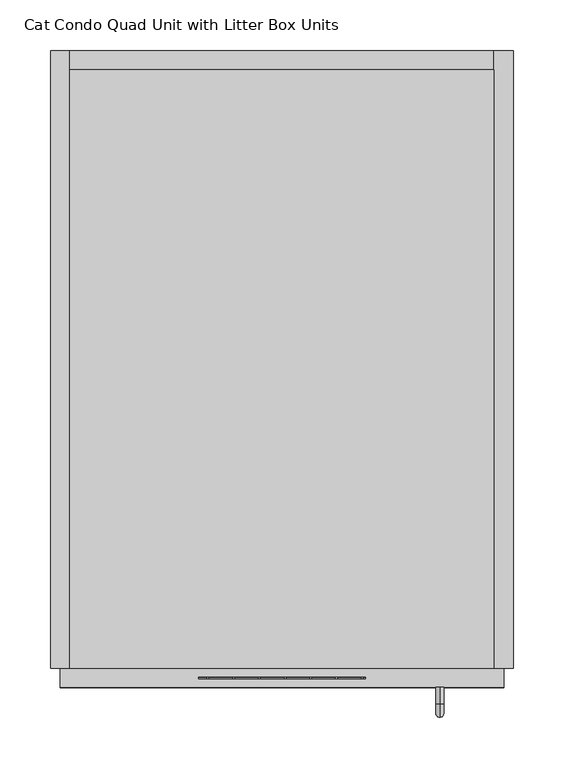
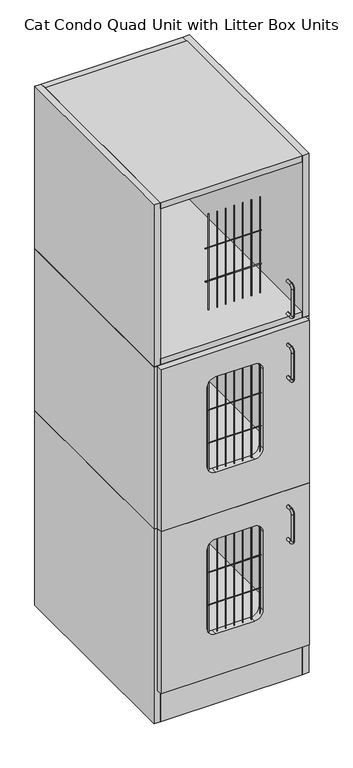
"""IFC4 building model written with IfcOpenShell, lengths in millimetres: proxy geometry, Cat Condo Quad Unit with Litter Box Units."""

from ifc_helpers import new_model, si_unit, point, frame, frame_2d, origin, origin_with_axes, place, context, project, spatial, polyline, circle_curve, ellipse_curve, trimmed, segment, composite_curve, outline, extrude, source, transform, mapped, element, save
from ifc_brep_helpers import plane_surface, cylinder_surface, revolved_surface, advanced_brep


def cat_condo_quad_unit_with_litter_box_units_e464faee(model_context):
    return source(origin(), model_context, "Body", "SolidModel", [
        advanced_brep(
        [(994.1819084, -19.05, 551.6993154), (994.1819084, -19.05, 559.5506846), (994.1819084, -35.2117768, 551.6993154), (994.1819084, -35.2117768, 559.5506846), (994.1819084, -48.3756846, 546.3867768), (994.1819084, -40.5243154, 546.3867768), (994.1819084, -40.5243154, 463.2632232), (994.1819084, -48.3756846, 463.2632232), (994.1819084, -35.2117768, 450.0993154), (994.1819084, -35.2117768, 457.9506846), (994.1819084, -19.05, 457.9506846), (994.1819084, -19.05, 450.0993154)],
        [
            (0, 1, circle_curve(frame((994.1819084, -19.05, 555.625), z_axis=(0.0, 1.0, 0.0), x_axis=(0.0, 0.0, 1.0)), 3.9256846)),
            (1, 0, circle_curve(frame((994.1819084, -19.05, 555.625), z_axis=(0.0, 1.0, 0.0), x_axis=(0.0, 0.0, 1.0)), 3.9256846)),
            (0, 2),
            (2, 3, circle_curve(frame((994.1819084, -35.2117768, 555.625), z_axis=(0.0, 1.0, 0.0), x_axis=(0.0, 0.0, 1.0)), 3.9256846)),
            (3, 1),
            (3, 2, circle_curve(frame((994.1819084, -35.2117768, 555.625), z_axis=(0.0, 1.0, 0.0), x_axis=(0.0, 0.0, 1.0)), 3.9256846)),
            (4, 3, circle_curve(frame((994.1819084, -35.2117768, 546.3867768), z_axis=(-1.0, 0.0, 0.0), x_axis=(0.0, 0.0, 1.0)), 13.1639078)),
            (2, 5, circle_curve(frame((994.1819084, -35.2117768, 546.3867768), z_axis=(1.0, 0.0, 0.0), x_axis=(0.0, 0.0, 1.0)), 5.3125387)),
            (5, 4, circle_curve(frame((994.1819084, -44.45, 546.3867768), z_axis=(0.0, 0.0, 1.0), x_axis=(0.0, -1.0000000000000002, 0.0)), 3.9256846)),
            (4, 5, circle_curve(frame((994.1819084, -44.45, 546.3867768), z_axis=(0.0, 0.0, 1.0), x_axis=(0.0, -1.0000000000000002, 0.0)), 3.9256846)),
            (5, 6),
            (6, 7, circle_curve(frame((994.1819084, -44.45, 463.2632232), z_axis=(0.0, 0.0, 1.0), x_axis=(0.0, -1.0000000000000002, 0.0)), 3.9256846)),
            (7, 4),
            (7, 6, circle_curve(frame((994.1819084, -44.45, 463.2632232), z_axis=(0.0, 0.0, 1.0), x_axis=(0.0, -1.0000000000000002, 0.0)), 3.9256846)),
            (8, 7, circle_curve(frame((994.1819084, -35.2117768, 463.2632232), z_axis=(-1.0, 0.0, 0.0), x_axis=(0.0, -1.0000000000000002, 0.0)), 13.1639078)),
            (6, 9, circle_curve(frame((994.1819084, -35.2117768, 463.2632232), z_axis=(1.0, 0.0, 0.0), x_axis=(0.0, -1.0000000000000002, 0.0)), 5.3125387)),
            (9, 8, circle_curve(frame((994.1819084, -35.2117768, 454.025), z_axis=(0.0, -1.0000000000000002, 0.0), x_axis=(0.0, 0.0, -1.0)), 3.9256846)),
            (8, 9, circle_curve(frame((994.1819084, -35.2117768, 454.025), z_axis=(0.0, -1.0000000000000002, 0.0), x_axis=(0.0, 0.0, -1.0)), 3.9256846)),
            (10, 11, circle_curve(frame((994.1819084, -19.05, 454.025), z_axis=(0.0, 1.0, 0.0), x_axis=(0.0, 0.0, -1.0)), 3.9256846)),
            (11, 10, circle_curve(frame((994.1819084, -19.05, 454.025), z_axis=(0.0, 1.0, 0.0), x_axis=(0.0, 0.0, -1.0)), 3.9256846)),
            (9, 10),
            (11, 8),
        ],
        [
            plane_surface(frame((994.1819084, -19.05, 555.625), z_axis=(0.0, 1.0, 0.0), x_axis=(1.0, 0.0, 0.0))),
            cylinder_surface(frame((994.1819084, -19.05, 555.625), z_axis=(0.0, 1.0000000000000002, 0.0), x_axis=(0.0, 0.0, 1.0)), 3.9256846),
            revolved_surface(trimmed(ellipse_curve(frame((994.1819084, -35.2117768, 555.625), z_axis=(0.0, 1.0000000000000002, 0.0), x_axis=(0.0, 0.0, 1.0)), 3.9256846, 3.9256846), [point((994.1819084, -35.2117768, 551.6993154))], [point((994.1819084, -35.2117768, 559.5506846))], True, "CARTESIAN"), (994.1819084, -35.2117768, 546.3867768), (1.0000000000000002, 0.0, 0.0)),
            revolved_surface(trimmed(ellipse_curve(frame((994.1819084, -35.2117768, 555.625), z_axis=(0.0, 1.0000000000000002, 0.0), x_axis=(0.0, 0.0, 1.0)), 3.9256846, 3.9256846), [point((994.1819084, -35.2117768, 559.5506846))], [point((994.1819084, -35.2117768, 551.6993154))], True, "CARTESIAN"), (994.1819084, -35.2117768, 546.3867768), (1.0000000000000002, 0.0, 0.0)),
            cylinder_surface(frame((994.1819084, -44.45, 546.3867768), z_axis=(0.0, 0.0, 1.0), x_axis=(0.0, -1.0000000000000002, 0.0)), 3.9256846),
            revolved_surface(trimmed(ellipse_curve(frame((994.1819084, -44.45, 463.2632232), z_axis=(0.0, 0.0, 1.0), x_axis=(0.0, -1.0000000000000002, 0.0)), 3.9256846, 3.9256846), [point((994.1819084, -40.5243154, 463.2632232))], [point((994.1819084, -48.3756846, 463.2632232))], True, "CARTESIAN"), (994.1819084, -35.2117768, 463.2632232), (1.0000000000000002, 0.0, 0.0)),
            revolved_surface(trimmed(ellipse_curve(frame((994.1819084, -44.45, 463.2632232), z_axis=(0.0, 0.0, 1.0), x_axis=(0.0, -1.0000000000000002, 0.0)), 3.9256846, 3.9256846), [point((994.1819084, -48.3756846, 463.2632232))], [point((994.1819084, -40.5243154, 463.2632232))], True, "CARTESIAN"), (994.1819084, -35.2117768, 463.2632232), (1.0000000000000002, 0.0, 0.0)),
            plane_surface(frame((994.1819084, -19.05, 454.025), z_axis=(0.0, 1.0, 0.0), x_axis=(1.0, 0.0, 0.0))),
            cylinder_surface(frame((994.1819084, -35.2117768, 454.025), z_axis=(0.0, -1.0000000000000002, 0.0), x_axis=(0.0, 0.0, -1.0)), 3.9256846),
        ],
        [
            (0, [[1, 2]]),
            (1, [[-1, 3, 4, 5]]),
            (1, [[-2, -5, 6, -3]]),
            (2, [[7, -4, 8, 9]]),
            (3, [[-8, -6, -7, 10]]),
            (4, [[-9, 11, 12, 13]]),
            (4, [[-10, -13, 14, -11]]),
            (5, [[15, -12, 16, 17]]),
            (6, [[-16, -14, -15, 18]]),
            (7, [[19, 20]]),
            (8, [[-17, 21, -20, 22]]),
            (8, [[-18, -22, -19, -21]]),
        ],
    ),
        extrude(outline(polyline([(1047.75, 590.55), (1047.75, 0.0), (628.65, 0.0), (628.65, 590.55), (1047.75, 590.55)])), frame((0.0, 0.0, 587.375), z_axis=(0.0, 0.0, 1.0), x_axis=(1.0, 0.0, 0.0)), (0.0, 0.0, 1.0), 19.05),
        extrude(outline(polyline([(1047.75, 0.0), (628.65, 0.0), (628.65, 590.55), (1047.75, 590.55), (1047.75, 0.0)])), frame((0.0, 0.0, 101.6), z_axis=(0.0, 0.0, 1.0), x_axis=(1.0, 0.0, 0.0)), (0.0, 0.0, 1.0), 19.05),
        extrude(outline(polyline([(1047.75, 19.05), (1047.75, 0.0), (628.65, 0.0), (628.65, 19.05), (1047.75, 19.05)])), origin_with_axes(), (0.0, 0.0, 1.0), 101.6),
        extrude(outline(polyline([(1047.75, 609.6), (1066.8, 609.6), (1066.8, 0.0), (1047.75, 0.0), (1047.75, 609.6)])), origin_with_axes(), (0.0, 0.0, 1.0), 606.425),
        extrude(outline(polyline([(1047.75, 609.6), (1047.75, 590.55), (628.65, 590.55), (628.65, 609.6), (1047.75, 609.6)])), origin_with_axes(), (0.0, 0.0, 1.0), 606.425),
        extrude(outline(polyline([(628.65, 609.6), (628.65, 0.0), (609.6, 0.0), (609.6, 609.6), (628.65, 609.6)])), origin_with_axes(), (0.0, 0.0, 1.0), 606.425),
        extrude(outline(composite_curve([segment(trimmed(circle_curve(frame_2d((-9.6602248, 423.8625)), 0.79375), [point((-9.6602248, 424.65625))], [point((-9.6602248, 423.06875))], False, "CARTESIAN"), True, "CONTINUOUS"), segment(trimmed(circle_curve(frame_2d((-9.6602248, 423.8625)), 0.79375), [point((-9.6602248, 423.06875))], [point((-9.6602248, 424.65625))], False, "CARTESIAN"), True, "CONTINUOUS")], self_intersect=False)), frame((755.65, 0.0, 0.0), z_axis=(1.0, 0.0, 0.0), x_axis=(0.0, 1.0, 0.0)), (0.0, 0.0, 1.0), 165.1),
        extrude(outline(composite_curve([segment(trimmed(circle_curve(frame_2d((-9.6602248, 322.2625)), 0.79375), [point((-9.6602248, 323.05625))], [point((-9.6602248, 321.46875))], False, "CARTESIAN"), True, "CONTINUOUS"), segment(trimmed(circle_curve(frame_2d((-9.6602248, 322.2625)), 0.79375), [point((-9.6602248, 321.46875))], [point((-9.6602248, 323.05625))], False, "CARTESIAN"), True, "CONTINUOUS")], self_intersect=False)), frame((755.65, 0.0, 0.0), z_axis=(1.0, 0.0, 0.0), x_axis=(0.0, 1.0, 0.0)), (0.0, 0.0, 1.0), 165.1),
        extrude(outline(composite_curve([segment(trimmed(circle_curve(frame_2d((917.4919665, -9.6602248)), 0.79375), [point((916.6982165, -9.6602248))], [point((918.2857165, -9.6602248))], False, "CARTESIAN"), True, "CONTINUOUS"), segment(trimmed(circle_curve(frame_2d((917.4919665, -9.6602248)), 0.79375), [point((918.2857165, -9.6602248))], [point((916.6982165, -9.6602248))], False, "CARTESIAN"), True, "CONTINUOUS")], self_intersect=False)), frame((0.0, 0.0, 231.775), z_axis=(0.0, 0.0, 1.0), x_axis=(1.0, 0.0, 0.0)), (0.0, 0.0, 1.0), 298.45),
        extrude(outline(composite_curve([segment(trimmed(circle_curve(frame_2d((892.0919665, -9.6602248)), 0.79375), [point((891.2982165, -9.6602248))], [point((892.8857165, -9.6602248))], False, "CARTESIAN"), True, "CONTINUOUS"), segment(trimmed(circle_curve(frame_2d((892.0919665, -9.6602248)), 0.79375), [point((892.8857165, -9.6602248))], [point((891.2982165, -9.6602248))], False, "CARTESIAN"), True, "CONTINUOUS")], self_intersect=False)), frame((0.0, 0.0, 231.775), z_axis=(0.0, 0.0, 1.0), x_axis=(1.0, 0.0, 0.0)), (0.0, 0.0, 1.0), 298.45),
        extrude(outline(composite_curve([segment(trimmed(circle_curve(frame_2d((866.6919665, -9.6602248)), 0.79375), [point((865.8982165, -9.6602248))], [point((867.4857165, -9.6602248))], False, "CARTESIAN"), True, "CONTINUOUS"), segment(trimmed(circle_curve(frame_2d((866.6919665, -9.6602248)), 0.79375), [point((867.4857165, -9.6602248))], [point((865.8982165, -9.6602248))], False, "CARTESIAN"), True, "CONTINUOUS")], self_intersect=False)), frame((0.0, 0.0, 231.775), z_axis=(0.0, 0.0, 1.0), x_axis=(1.0, 0.0, 0.0)), (0.0, 0.0, 1.0), 298.45),
        extrude(outline(composite_curve([segment(trimmed(circle_curve(frame_2d((841.2919665, -9.6602248)), 0.79375), [point((840.4982165, -9.6602248))], [point((842.0857165, -9.6602248))], False, "CARTESIAN"), True, "CONTINUOUS"), segment(trimmed(circle_curve(frame_2d((841.2919665, -9.6602248)), 0.79375), [point((842.0857165, -9.6602248))], [point((840.4982165, -9.6602248))], False, "CARTESIAN"), True, "CONTINUOUS")], self_intersect=False)), frame((0.0, 0.0, 231.775), z_axis=(0.0, 0.0, 1.0), x_axis=(1.0, 0.0, 0.0)), (0.0, 0.0, 1.0), 298.45),
        extrude(outline(composite_curve([segment(trimmed(circle_curve(frame_2d((815.8919665, -9.6602248)), 0.79375), [point((815.0982165, -9.6602248))], [point((816.6857165, -9.6602248))], False, "CARTESIAN"), True, "CONTINUOUS"), segment(trimmed(circle_curve(frame_2d((815.8919665, -9.6602248)), 0.79375), [point((816.6857165, -9.6602248))], [point((815.0982165, -9.6602248))], False, "CARTESIAN"), True, "CONTINUOUS")], self_intersect=False)), frame((0.0, 0.0, 231.775), z_axis=(0.0, 0.0, 1.0), x_axis=(1.0, 0.0, 0.0)), (0.0, 0.0, 1.0), 298.45),
        extrude(outline(composite_curve([segment(trimmed(circle_curve(frame_2d((790.4919665, -9.6602248)), 0.79375), [point((789.6982165, -9.6602248))], [point((791.2857165, -9.6602248))], False, "CARTESIAN"), True, "CONTINUOUS"), segment(trimmed(circle_curve(frame_2d((790.4919665, -9.6602248)), 0.79375), [point((791.2857165, -9.6602248))], [point((789.6982165, -9.6602248))], False, "CARTESIAN"), True, "CONTINUOUS")], self_intersect=False)), frame((0.0, 0.0, 231.775), z_axis=(0.0, 0.0, 1.0), x_axis=(1.0, 0.0, 0.0)), (0.0, 0.0, 1.0), 298.45),
        extrude(outline(composite_curve([segment(trimmed(circle_curve(frame_2d((765.0919665, -9.6602248)), 0.79375), [point((764.2982165, -9.6602248))], [point((765.8857165, -9.6602248))], False, "CARTESIAN"), True, "CONTINUOUS"), segment(trimmed(circle_curve(frame_2d((765.0919665, -9.6602248)), 0.79375), [point((765.8857165, -9.6602248))], [point((764.2982165, -9.6602248))], False, "CARTESIAN"), True, "CONTINUOUS")], self_intersect=False)), frame((0.0, 0.0, 231.775), z_axis=(0.0, 0.0, 1.0), x_axis=(1.0, 0.0, 0.0)), (0.0, 0.0, 1.0), 298.45),
        extrude(outline(composite_curve([segment(trimmed(circle_curve(frame_2d((892.0919665, -9.6602248)), 0.79375), [point((891.2982165, -9.6602248))], [point((892.8857165, -9.6602248))], False, "CARTESIAN"), True, "CONTINUOUS"), segment(trimmed(circle_curve(frame_2d((892.0919665, -9.6602248)), 0.79375), [point((892.8857165, -9.6602248))], [point((891.2982165, -9.6602248))], False, "CARTESIAN"), True, "CONTINUOUS")], self_intersect=False)), frame((0.0, 0.0, 231.775), z_axis=(0.0, 0.0, 1.0), x_axis=(1.0, 0.0, 0.0)), (0.0, 0.0, 1.0), 298.45),
        extrude(outline(composite_curve([segment(trimmed(circle_curve(frame_2d((866.6919665, -9.6602248)), 0.79375), [point((865.8982165, -9.6602248))], [point((867.4857165, -9.6602248))], False, "CARTESIAN"), True, "CONTINUOUS"), segment(trimmed(circle_curve(frame_2d((866.6919665, -9.6602248)), 0.79375), [point((867.4857165, -9.6602248))], [point((865.8982165, -9.6602248))], False, "CARTESIAN"), True, "CONTINUOUS")], self_intersect=False)), frame((0.0, 0.0, 231.775), z_axis=(0.0, 0.0, 1.0), x_axis=(1.0, 0.0, 0.0)), (0.0, 0.0, 1.0), 298.45),
        extrude(outline(composite_curve([segment(trimmed(circle_curve(frame_2d((841.2919665, -9.6602248)), 0.79375), [point((840.4982165, -9.6602248))], [point((842.0857165, -9.6602248))], False, "CARTESIAN"), True, "CONTINUOUS"), segment(trimmed(circle_curve(frame_2d((841.2919665, -9.6602248)), 0.79375), [point((842.0857165, -9.6602248))], [point((840.4982165, -9.6602248))], False, "CARTESIAN"), True, "CONTINUOUS")], self_intersect=False)), frame((0.0, 0.0, 231.775), z_axis=(0.0, 0.0, 1.0), x_axis=(1.0, 0.0, 0.0)), (0.0, 0.0, 1.0), 298.45),
        extrude(outline(composite_curve([segment(trimmed(circle_curve(frame_2d((815.8919665, -9.6602248)), 0.79375), [point((815.0982165, -9.6602248))], [point((816.6857165, -9.6602248))], False, "CARTESIAN"), True, "CONTINUOUS"), segment(trimmed(circle_curve(frame_2d((815.8919665, -9.6602248)), 0.79375), [point((816.6857165, -9.6602248))], [point((815.0982165, -9.6602248))], False, "CARTESIAN"), True, "CONTINUOUS")], self_intersect=False)), frame((0.0, 0.0, 231.775), z_axis=(0.0, 0.0, 1.0), x_axis=(1.0, 0.0, 0.0)), (0.0, 0.0, 1.0), 298.45),
        extrude(outline(composite_curve([segment(trimmed(circle_curve(frame_2d((790.4919665, -9.6602248)), 0.79375), [point((789.6982165, -9.6602248))], [point((791.2857165, -9.6602248))], False, "CARTESIAN"), True, "CONTINUOUS"), segment(trimmed(circle_curve(frame_2d((790.4919665, -9.6602248)), 0.79375), [point((791.2857165, -9.6602248))], [point((789.6982165, -9.6602248))], False, "CARTESIAN"), True, "CONTINUOUS")], self_intersect=False)), frame((0.0, 0.0, 231.775), z_axis=(0.0, 0.0, 1.0), x_axis=(1.0, 0.0, 0.0)), (0.0, 0.0, 1.0), 298.45),
        extrude(outline(composite_curve([segment(trimmed(circle_curve(frame_2d((765.0919665, -9.6602248)), 0.79375), [point((764.2982165, -9.6602248))], [point((765.8857165, -9.6602248))], False, "CARTESIAN"), True, "CONTINUOUS"), segment(trimmed(circle_curve(frame_2d((765.0919665, -9.6602248)), 0.79375), [point((765.8857165, -9.6602248))], [point((764.2982165, -9.6602248))], False, "CARTESIAN"), True, "CONTINUOUS")], self_intersect=False)), frame((0.0, 0.0, 231.775), z_axis=(0.0, 0.0, 1.0), x_axis=(1.0, 0.0, 0.0)), (0.0, 0.0, 1.0), 298.45),
        extrude(outline(polyline([(606.425, 1057.275), (606.425, 619.125), (101.6, 619.125), (101.6, 1057.275), (606.425, 1057.275)]), holes=[composite_curve([segment(polyline([(527.05, 781.05), (527.05, 895.35)]), True, "CONTINUOUS"), segment(trimmed(circle_curve(frame_2d((501.65, 895.35)), 25.4), [point((527.05, 895.35))], [point((501.65, 920.75))], True, "CARTESIAN"), True, "CONTINUOUS"), segment(polyline([(501.65, 920.75), (257.175, 920.75)]), True, "CONTINUOUS"), segment(trimmed(circle_curve(frame_2d((257.175, 895.35)), 25.4), [point((257.175, 920.75))], [point((231.775, 895.35))], True, "CARTESIAN"), True, "CONTINUOUS"), segment(polyline([(231.775, 895.35), (231.775, 781.05)]), True, "CONTINUOUS"), segment(trimmed(circle_curve(frame_2d((257.175, 781.05)), 25.4), [point((231.775, 781.05))], [point((257.175, 755.65))], True, "CARTESIAN"), True, "CONTINUOUS"), segment(polyline([(257.175, 755.65), (501.65, 755.65)]), True, "CONTINUOUS"), segment(trimmed(circle_curve(frame_2d((501.65, 781.05)), 25.4), [point((501.65, 755.65))], [point((527.05, 781.05))], True, "CARTESIAN"), True, "CONTINUOUS")], self_intersect=False)]), frame((0.0, -19.05, 0.0), z_axis=(0.0, 1.0, 0.0), x_axis=(0.0, 0.0, 1.0)), (0.0, 0.0, 1.0), 19.05),
        advanced_brep(
        [(994.1819084, -19.05, 1056.5243154), (994.1819084, -19.05, 1064.3756846), (994.1819084, -35.2117768, 1056.5243154), (994.1819084, -35.2117768, 1064.3756846), (994.1819084, -48.3756846, 1051.2117768), (994.1819084, -40.5243154, 1051.2117768), (994.1819084, -40.5243154, 968.0882232), (994.1819084, -48.3756846, 968.0882232), (994.1819084, -35.2117768, 954.9243154), (994.1819084, -35.2117768, 962.7756846), (994.1819084, -19.05, 962.7756846), (994.1819084, -19.05, 954.9243154)],
        [
            (0, 1, circle_curve(frame((994.1819084, -19.05, 1060.45), z_axis=(0.0, 1.0, 0.0), x_axis=(0.0, 0.0, 1.0)), 3.9256846)),
            (1, 0, circle_curve(frame((994.1819084, -19.05, 1060.45), z_axis=(0.0, 1.0, 0.0), x_axis=(0.0, 0.0, 1.0)), 3.9256846)),
            (0, 2),
            (2, 3, circle_curve(frame((994.1819084, -35.2117768, 1060.45), z_axis=(0.0, 1.0, 0.0), x_axis=(0.0, 0.0, 1.0)), 3.9256846)),
            (3, 1),
            (3, 2, circle_curve(frame((994.1819084, -35.2117768, 1060.45), z_axis=(0.0, 1.0, 0.0), x_axis=(0.0, 0.0, 1.0)), 3.9256846)),
            (4, 3, circle_curve(frame((994.1819084, -35.2117768, 1051.2117768), z_axis=(-1.0, 0.0, 0.0), x_axis=(0.0, 0.0, 1.0)), 13.1639078)),
            (2, 5, circle_curve(frame((994.1819084, -35.2117768, 1051.2117768), z_axis=(1.0, 0.0, 0.0), x_axis=(0.0, 0.0, 1.0)), 5.3125387)),
            (5, 4, circle_curve(frame((994.1819084, -44.45, 1051.2117768), z_axis=(0.0, 0.0, 1.0), x_axis=(0.0, -1.0000000000000002, 0.0)), 3.9256846)),
            (4, 5, circle_curve(frame((994.1819084, -44.45, 1051.2117768), z_axis=(0.0, 0.0, 1.0), x_axis=(0.0, -1.0000000000000002, 0.0)), 3.9256846)),
            (5, 6),
            (6, 7, circle_curve(frame((994.1819084, -44.45, 968.0882232), z_axis=(0.0, 0.0, 1.0), x_axis=(0.0, -1.0000000000000002, 0.0)), 3.9256846)),
            (7, 4),
            (7, 6, circle_curve(frame((994.1819084, -44.45, 968.0882232), z_axis=(0.0, 0.0, 1.0), x_axis=(0.0, -1.0000000000000002, 0.0)), 3.9256846)),
            (8, 7, circle_curve(frame((994.1819084, -35.2117768, 968.0882232), z_axis=(-1.0, 0.0, 0.0), x_axis=(0.0, -1.0000000000000002, 0.0)), 13.1639078)),
            (6, 9, circle_curve(frame((994.1819084, -35.2117768, 968.0882232), z_axis=(1.0, 0.0, 0.0), x_axis=(0.0, -1.0000000000000002, 0.0)), 5.3125387)),
            (9, 8, circle_curve(frame((994.1819084, -35.2117768, 958.85), z_axis=(0.0, -1.0000000000000002, 0.0), x_axis=(0.0, 0.0, -1.0)), 3.9256846)),
            (8, 9, circle_curve(frame((994.1819084, -35.2117768, 958.85), z_axis=(0.0, -1.0000000000000002, 0.0), x_axis=(0.0, 0.0, -1.0)), 3.9256846)),
            (10, 11, circle_curve(frame((994.1819084, -19.05, 958.85), z_axis=(0.0, 1.0, 0.0), x_axis=(0.0, 0.0, -1.0)), 3.9256846)),
            (11, 10, circle_curve(frame((994.1819084, -19.05, 958.85), z_axis=(0.0, 1.0, 0.0), x_axis=(0.0, 0.0, -1.0)), 3.9256846)),
            (9, 10),
            (11, 8),
        ],
        [
            plane_surface(frame((994.1819084, -19.05, 1060.45), z_axis=(0.0, 1.0, 0.0), x_axis=(1.0, 0.0, 0.0))),
            cylinder_surface(frame((994.1819084, -19.05, 1060.45), z_axis=(0.0, 1.0000000000000002, 0.0), x_axis=(0.0, 0.0, 1.0)), 3.9256846),
            revolved_surface(trimmed(ellipse_curve(frame((994.1819084, -35.2117768, 1060.45), z_axis=(0.0, 1.0000000000000002, 0.0), x_axis=(0.0, 0.0, 1.0)), 3.9256846, 3.9256846), [point((994.1819084, -35.2117768, 1056.5243154))], [point((994.1819084, -35.2117768, 1064.3756846))], True, "CARTESIAN"), (994.1819084, -35.2117768, 1051.2117768), (1.0000000000000002, 0.0, 0.0)),
            revolved_surface(trimmed(ellipse_curve(frame((994.1819084, -35.2117768, 1060.45), z_axis=(0.0, 1.0000000000000002, 0.0), x_axis=(0.0, 0.0, 1.0)), 3.9256846, 3.9256846), [point((994.1819084, -35.2117768, 1064.3756846))], [point((994.1819084, -35.2117768, 1056.5243154))], True, "CARTESIAN"), (994.1819084, -35.2117768, 1051.2117768), (1.0000000000000002, 0.0, 0.0)),
            cylinder_surface(frame((994.1819084, -44.45, 1051.2117768), z_axis=(0.0, 0.0, 1.0), x_axis=(0.0, -1.0000000000000002, 0.0)), 3.9256846),
            revolved_surface(trimmed(ellipse_curve(frame((994.1819084, -44.45, 968.0882232), z_axis=(0.0, 0.0, 1.0), x_axis=(0.0, -1.0000000000000002, 0.0)), 3.9256846, 3.9256846), [point((994.1819084, -40.5243154, 968.0882232))], [point((994.1819084, -48.3756846, 968.0882232))], True, "CARTESIAN"), (994.1819084, -35.2117768, 968.0882232), (1.0000000000000002, 0.0, 0.0)),
            revolved_surface(trimmed(ellipse_curve(frame((994.1819084, -44.45, 968.0882232), z_axis=(0.0, 0.0, 1.0), x_axis=(0.0, -1.0000000000000002, 0.0)), 3.9256846, 3.9256846), [point((994.1819084, -48.3756846, 968.0882232))], [point((994.1819084, -40.5243154, 968.0882232))], True, "CARTESIAN"), (994.1819084, -35.2117768, 968.0882232), (1.0000000000000002, 0.0, 0.0)),
            plane_surface(frame((994.1819084, -19.05, 958.85), z_axis=(0.0, 1.0, 0.0), x_axis=(1.0, 0.0, 0.0))),
            cylinder_surface(frame((994.1819084, -35.2117768, 958.85), z_axis=(0.0, -1.0000000000000002, 0.0), x_axis=(0.0, 0.0, -1.0)), 3.9256846),
        ],
        [
            (0, [[1, 2]]),
            (1, [[-1, 3, 4, 5]]),
            (1, [[-2, -5, 6, -3]]),
            (2, [[7, -4, 8, 9]]),
            (3, [[-8, -6, -7, 10]]),
            (4, [[-9, 11, 12, 13]]),
            (4, [[-10, -13, 14, -11]]),
            (5, [[15, -12, 16, 17]]),
            (6, [[-16, -14, -15, 18]]),
            (7, [[19, 20]]),
            (8, [[-17, 21, -20, 22]]),
            (8, [[-18, -22, -19, -21]]),
        ],
    ),
        extrude(outline(polyline([(1047.75, 590.55), (1047.75, 0.0), (628.65, 0.0), (628.65, 590.55), (1047.75, 590.55)])), frame((0.0, 0.0, 1093.7875), z_axis=(0.0, 0.0, 1.0), x_axis=(1.0, 0.0, 0.0)), (0.0, 0.0, 1.0), 19.05),
        extrude(outline(polyline([(1047.75, 0.0), (628.65, 0.0), (628.65, 590.55), (1047.75, 590.55), (1047.75, 0.0)])), frame((0.0, 0.0, 606.425), z_axis=(0.0, 0.0, 1.0), x_axis=(1.0, 0.0, 0.0)), (0.0, 0.0, 1.0), 19.05),
        extrude(outline(polyline([(1047.75, 609.6), (1066.8, 609.6), (1066.8, 0.0), (1047.75, 0.0), (1047.75, 609.6)])), frame((0.0, 0.0, 606.425), z_axis=(0.0, 0.0, 1.0), x_axis=(1.0, 0.0, 0.0)), (0.0, 0.0, 1.0), 506.4125),
        extrude(outline(polyline([(1047.75, 609.6), (1047.75, 590.55), (628.65, 590.55), (628.65, 609.6), (1047.75, 609.6)])), frame((0.0, 0.0, 606.425), z_axis=(0.0, 0.0, 1.0), x_axis=(1.0, 0.0, 0.0)), (0.0, 0.0, 1.0), 506.4125),
        extrude(outline(polyline([(628.65, 609.6), (628.65, 0.0), (609.6, 0.0), (609.6, 609.6), (628.65, 609.6)])), frame((0.0, 0.0, 606.425), z_axis=(0.0, 0.0, 1.0), x_axis=(1.0, 0.0, 0.0)), (0.0, 0.0, 1.0), 506.4125),
        extrude(outline(composite_curve([segment(trimmed(circle_curve(frame_2d((-9.6602248, 930.275)), 0.79375), [point((-9.6602248, 931.06875))], [point((-9.6602248, 929.48125))], False, "CARTESIAN"), True, "CONTINUOUS"), segment(trimmed(circle_curve(frame_2d((-9.6602248, 930.275)), 0.79375), [point((-9.6602248, 929.48125))], [point((-9.6602248, 931.06875))], False, "CARTESIAN"), True, "CONTINUOUS")], self_intersect=False)), frame((755.65, 0.0, 0.0), z_axis=(1.0, 0.0, 0.0), x_axis=(0.0, 1.0, 0.0)), (0.0, 0.0, 1.0), 165.1),
        extrude(outline(composite_curve([segment(trimmed(circle_curve(frame_2d((-9.6602248, 827.0875)), 0.79375), [point((-9.6602248, 827.88125))], [point((-9.6602248, 826.29375))], False, "CARTESIAN"), True, "CONTINUOUS"), segment(trimmed(circle_curve(frame_2d((-9.6602248, 827.0875)), 0.79375), [point((-9.6602248, 826.29375))], [point((-9.6602248, 827.88125))], False, "CARTESIAN"), True, "CONTINUOUS")], self_intersect=False)), frame((755.65, 0.0, 0.0), z_axis=(1.0, 0.0, 0.0), x_axis=(0.0, 1.0, 0.0)), (0.0, 0.0, 1.0), 165.1),
        extrude(outline(composite_curve([segment(trimmed(circle_curve(frame_2d((917.4919665, -9.6602248)), 0.79375), [point((916.6982165, -9.6602248))], [point((918.2857165, -9.6602248))], False, "CARTESIAN"), True, "CONTINUOUS"), segment(trimmed(circle_curve(frame_2d((917.4919665, -9.6602248)), 0.79375), [point((918.2857165, -9.6602248))], [point((916.6982165, -9.6602248))], False, "CARTESIAN"), True, "CONTINUOUS")], self_intersect=False)), frame((0.0, 0.0, 736.6), z_axis=(0.0, 0.0, 1.0), x_axis=(1.0, 0.0, 0.0)), (0.0, 0.0, 1.0), 298.45),
        extrude(outline(composite_curve([segment(trimmed(circle_curve(frame_2d((892.0919665, -9.6602248)), 0.79375), [point((891.2982165, -9.6602248))], [point((892.8857165, -9.6602248))], False, "CARTESIAN"), True, "CONTINUOUS"), segment(trimmed(circle_curve(frame_2d((892.0919665, -9.6602248)), 0.79375), [point((892.8857165, -9.6602248))], [point((891.2982165, -9.6602248))], False, "CARTESIAN"), True, "CONTINUOUS")], self_intersect=False)), frame((0.0, 0.0, 736.6), z_axis=(0.0, 0.0, 1.0), x_axis=(1.0, 0.0, 0.0)), (0.0, 0.0, 1.0), 298.45),
        extrude(outline(composite_curve([segment(trimmed(circle_curve(frame_2d((866.6919665, -9.6602248)), 0.79375), [point((865.8982165, -9.6602248))], [point((867.4857165, -9.6602248))], False, "CARTESIAN"), True, "CONTINUOUS"), segment(trimmed(circle_curve(frame_2d((866.6919665, -9.6602248)), 0.79375), [point((867.4857165, -9.6602248))], [point((865.8982165, -9.6602248))], False, "CARTESIAN"), True, "CONTINUOUS")], self_intersect=False)), frame((0.0, 0.0, 736.6), z_axis=(0.0, 0.0, 1.0), x_axis=(1.0, 0.0, 0.0)), (0.0, 0.0, 1.0), 298.45),
        extrude(outline(composite_curve([segment(trimmed(circle_curve(frame_2d((841.2919665, -9.6602248)), 0.79375), [point((840.4982165, -9.6602248))], [point((842.0857165, -9.6602248))], False, "CARTESIAN"), True, "CONTINUOUS"), segment(trimmed(circle_curve(frame_2d((841.2919665, -9.6602248)), 0.79375), [point((842.0857165, -9.6602248))], [point((840.4982165, -9.6602248))], False, "CARTESIAN"), True, "CONTINUOUS")], self_intersect=False)), frame((0.0, 0.0, 736.6), z_axis=(0.0, 0.0, 1.0), x_axis=(1.0, 0.0, 0.0)), (0.0, 0.0, 1.0), 298.45),
        extrude(outline(composite_curve([segment(trimmed(circle_curve(frame_2d((815.8919665, -9.6602248)), 0.79375), [point((815.0982165, -9.6602248))], [point((816.6857165, -9.6602248))], False, "CARTESIAN"), True, "CONTINUOUS"), segment(trimmed(circle_curve(frame_2d((815.8919665, -9.6602248)), 0.79375), [point((816.6857165, -9.6602248))], [point((815.0982165, -9.6602248))], False, "CARTESIAN"), True, "CONTINUOUS")], self_intersect=False)), frame((0.0, 0.0, 736.6), z_axis=(0.0, 0.0, 1.0), x_axis=(1.0, 0.0, 0.0)), (0.0, 0.0, 1.0), 298.45),
        extrude(outline(composite_curve([segment(trimmed(circle_curve(frame_2d((790.4919665, -9.6602248)), 0.79375), [point((789.6982165, -9.6602248))], [point((791.2857165, -9.6602248))], False, "CARTESIAN"), True, "CONTINUOUS"), segment(trimmed(circle_curve(frame_2d((790.4919665, -9.6602248)), 0.79375), [point((791.2857165, -9.6602248))], [point((789.6982165, -9.6602248))], False, "CARTESIAN"), True, "CONTINUOUS")], self_intersect=False)), frame((0.0, 0.0, 736.6), z_axis=(0.0, 0.0, 1.0), x_axis=(1.0, 0.0, 0.0)), (0.0, 0.0, 1.0), 298.45),
        extrude(outline(composite_curve([segment(trimmed(circle_curve(frame_2d((765.0919665, -9.6602248)), 0.79375), [point((764.2982165, -9.6602248))], [point((765.8857165, -9.6602248))], False, "CARTESIAN"), True, "CONTINUOUS"), segment(trimmed(circle_curve(frame_2d((765.0919665, -9.6602248)), 0.79375), [point((765.8857165, -9.6602248))], [point((764.2982165, -9.6602248))], False, "CARTESIAN"), True, "CONTINUOUS")], self_intersect=False)), frame((0.0, 0.0, 736.6), z_axis=(0.0, 0.0, 1.0), x_axis=(1.0, 0.0, 0.0)), (0.0, 0.0, 1.0), 298.45),
        extrude(outline(composite_curve([segment(trimmed(circle_curve(frame_2d((892.0919665, -9.6602248)), 0.79375), [point((891.2982165, -9.6602248))], [point((892.8857165, -9.6602248))], False, "CARTESIAN"), True, "CONTINUOUS"), segment(trimmed(circle_curve(frame_2d((892.0919665, -9.6602248)), 0.79375), [point((892.8857165, -9.6602248))], [point((891.2982165, -9.6602248))], False, "CARTESIAN"), True, "CONTINUOUS")], self_intersect=False)), frame((0.0, 0.0, 736.6), z_axis=(0.0, 0.0, 1.0), x_axis=(1.0, 0.0, 0.0)), (0.0, 0.0, 1.0), 298.45),
        extrude(outline(composite_curve([segment(trimmed(circle_curve(frame_2d((866.6919665, -9.6602248)), 0.79375), [point((865.8982165, -9.6602248))], [point((867.4857165, -9.6602248))], False, "CARTESIAN"), True, "CONTINUOUS"), segment(trimmed(circle_curve(frame_2d((866.6919665, -9.6602248)), 0.79375), [point((867.4857165, -9.6602248))], [point((865.8982165, -9.6602248))], False, "CARTESIAN"), True, "CONTINUOUS")], self_intersect=False)), frame((0.0, 0.0, 736.6), z_axis=(0.0, 0.0, 1.0), x_axis=(1.0, 0.0, 0.0)), (0.0, 0.0, 1.0), 298.45),
        extrude(outline(composite_curve([segment(trimmed(circle_curve(frame_2d((841.2919665, -9.6602248)), 0.79375), [point((840.4982165, -9.6602248))], [point((842.0857165, -9.6602248))], False, "CARTESIAN"), True, "CONTINUOUS"), segment(trimmed(circle_curve(frame_2d((841.2919665, -9.6602248)), 0.79375), [point((842.0857165, -9.6602248))], [point((840.4982165, -9.6602248))], False, "CARTESIAN"), True, "CONTINUOUS")], self_intersect=False)), frame((0.0, 0.0, 736.6), z_axis=(0.0, 0.0, 1.0), x_axis=(1.0, 0.0, 0.0)), (0.0, 0.0, 1.0), 298.45),
        extrude(outline(composite_curve([segment(trimmed(circle_curve(frame_2d((815.8919665, -9.6602248)), 0.79375), [point((815.0982165, -9.6602248))], [point((816.6857165, -9.6602248))], False, "CARTESIAN"), True, "CONTINUOUS"), segment(trimmed(circle_curve(frame_2d((815.8919665, -9.6602248)), 0.79375), [point((816.6857165, -9.6602248))], [point((815.0982165, -9.6602248))], False, "CARTESIAN"), True, "CONTINUOUS")], self_intersect=False)), frame((0.0, 0.0, 736.6), z_axis=(0.0, 0.0, 1.0), x_axis=(1.0, 0.0, 0.0)), (0.0, 0.0, 1.0), 298.45),
        extrude(outline(composite_curve([segment(trimmed(circle_curve(frame_2d((790.4919665, -9.6602248)), 0.79375), [point((789.6982165, -9.6602248))], [point((791.2857165, -9.6602248))], False, "CARTESIAN"), True, "CONTINUOUS"), segment(trimmed(circle_curve(frame_2d((790.4919665, -9.6602248)), 0.79375), [point((791.2857165, -9.6602248))], [point((789.6982165, -9.6602248))], False, "CARTESIAN"), True, "CONTINUOUS")], self_intersect=False)), frame((0.0, 0.0, 736.6), z_axis=(0.0, 0.0, 1.0), x_axis=(1.0, 0.0, 0.0)), (0.0, 0.0, 1.0), 298.45),
        extrude(outline(composite_curve([segment(trimmed(circle_curve(frame_2d((765.0919665, -9.6602248)), 0.79375), [point((764.2982165, -9.6602248))], [point((765.8857165, -9.6602248))], False, "CARTESIAN"), True, "CONTINUOUS"), segment(trimmed(circle_curve(frame_2d((765.0919665, -9.6602248)), 0.79375), [point((765.8857165, -9.6602248))], [point((764.2982165, -9.6602248))], False, "CARTESIAN"), True, "CONTINUOUS")], self_intersect=False)), frame((0.0, 0.0, 736.6), z_axis=(0.0, 0.0, 1.0), x_axis=(1.0, 0.0, 0.0)), (0.0, 0.0, 1.0), 298.45),
        extrude(outline(polyline([(1112.8375, 1057.275), (1112.8375, 619.125), (606.425, 619.125), (606.425, 1057.275), (1112.8375, 1057.275)]), holes=[composite_curve([segment(polyline([(1033.4625, 781.05), (1033.4625, 895.35)]), True, "CONTINUOUS"), segment(trimmed(circle_curve(frame_2d((1008.0625, 895.35)), 25.4), [point((1033.4625, 895.35))], [point((1008.0625, 920.75))], True, "CARTESIAN"), True, "CONTINUOUS"), segment(polyline([(1008.0625, 920.75), (762.0, 920.75)]), True, "CONTINUOUS"), segment(trimmed(circle_curve(frame_2d((762.0, 895.35)), 25.4), [point((762.0, 920.75))], [point((736.6, 895.35))], True, "CARTESIAN"), True, "CONTINUOUS"), segment(polyline([(736.6, 895.35), (736.6, 781.05)]), True, "CONTINUOUS"), segment(trimmed(circle_curve(frame_2d((762.0, 781.05)), 25.4), [point((736.6, 781.05))], [point((762.0, 755.65))], True, "CARTESIAN"), True, "CONTINUOUS"), segment(polyline([(762.0, 755.65), (1008.0625, 755.65)]), True, "CONTINUOUS"), segment(trimmed(circle_curve(frame_2d((1008.0625, 781.05)), 25.4), [point((1008.0625, 755.65))], [point((1033.4625, 781.05))], True, "CARTESIAN"), True, "CONTINUOUS")], self_intersect=False)]), frame((0.0, -19.05, 0.0), z_axis=(0.0, 1.0, 0.0), x_axis=(0.0, 0.0, 1.0)), (0.0, 0.0, 1.0), 19.05),
        advanced_brep(
        [(994.1819084, -19.05, 1254.9618154), (994.1819084, -19.05, 1262.8131846), (994.1819084, -35.2117768, 1254.9618154), (994.1819084, -35.2117768, 1262.8131846), (994.1819084, -48.3756846, 1249.6492768), (994.1819084, -40.5243154, 1249.6492768), (994.1819084, -40.5243154, 1166.5257232), (994.1819084, -48.3756846, 1166.5257232), (994.1819084, -35.2117768, 1153.3618154), (994.1819084, -35.2117768, 1161.2131846), (994.1819084, -19.05, 1161.2131846), (994.1819084, -19.05, 1153.3618154)],
        [
            (0, 1, circle_curve(frame((994.1819084, -19.05, 1258.8875), z_axis=(0.0, 1.0, 0.0), x_axis=(0.0, 0.0, 1.0)), 3.9256846)),
            (1, 0, circle_curve(frame((994.1819084, -19.05, 1258.8875), z_axis=(0.0, 1.0, 0.0), x_axis=(0.0, 0.0, 1.0)), 3.9256846)),
            (0, 2),
            (2, 3, circle_curve(frame((994.1819084, -35.2117768, 1258.8875), z_axis=(0.0, 1.0, 0.0), x_axis=(0.0, 0.0, 1.0)), 3.9256846)),
            (3, 1),
            (3, 2, circle_curve(frame((994.1819084, -35.2117768, 1258.8875), z_axis=(0.0, 1.0, 0.0), x_axis=(0.0, 0.0, 1.0)), 3.9256846)),
            (4, 3, circle_curve(frame((994.1819084, -35.2117768, 1249.6492768), z_axis=(-1.0, 0.0, 0.0), x_axis=(0.0, 0.0, 1.0)), 13.1639078)),
            (2, 5, circle_curve(frame((994.1819084, -35.2117768, 1249.6492768), z_axis=(1.0, 0.0, 0.0), x_axis=(0.0, 0.0, 1.0)), 5.3125387)),
            (5, 4, circle_curve(frame((994.1819084, -44.45, 1249.6492768), z_axis=(0.0, 0.0, 1.0), x_axis=(0.0, -1.0000000000000002, 0.0)), 3.9256846)),
            (4, 5, circle_curve(frame((994.1819084, -44.45, 1249.6492768), z_axis=(0.0, 0.0, 1.0), x_axis=(0.0, -1.0000000000000002, 0.0)), 3.9256846)),
            (5, 6),
            (6, 7, circle_curve(frame((994.1819084, -44.45, 1166.5257232), z_axis=(0.0, 0.0, 1.0), x_axis=(0.0, -1.0000000000000002, 0.0)), 3.9256846)),
            (7, 4),
            (7, 6, circle_curve(frame((994.1819084, -44.45, 1166.5257232), z_axis=(0.0, 0.0, 1.0), x_axis=(0.0, -1.0000000000000002, 0.0)), 3.9256846)),
            (8, 7, circle_curve(frame((994.1819084, -35.2117768, 1166.5257232), z_axis=(-1.0, 0.0, 0.0), x_axis=(0.0, -1.0000000000000002, 0.0)), 13.1639078)),
            (6, 9, circle_curve(frame((994.1819084, -35.2117768, 1166.5257232), z_axis=(1.0, 0.0, 0.0), x_axis=(0.0, -1.0000000000000002, 0.0)), 5.3125387)),
            (9, 8, circle_curve(frame((994.1819084, -35.2117768, 1157.2875), z_axis=(0.0, -1.0000000000000002, 0.0), x_axis=(0.0, 0.0, -1.0)), 3.9256846)),
            (8, 9, circle_curve(frame((994.1819084, -35.2117768, 1157.2875), z_axis=(0.0, -1.0000000000000002, 0.0), x_axis=(0.0, 0.0, -1.0)), 3.9256846)),
            (10, 11, circle_curve(frame((994.1819084, -19.05, 1157.2875), z_axis=(0.0, 1.0, 0.0), x_axis=(0.0, 0.0, -1.0)), 3.9256846)),
            (11, 10, circle_curve(frame((994.1819084, -19.05, 1157.2875), z_axis=(0.0, 1.0, 0.0), x_axis=(0.0, 0.0, -1.0)), 3.9256846)),
            (9, 10),
            (11, 8),
        ],
        [
            plane_surface(frame((994.1819084, -19.05, 1258.8875), z_axis=(0.0, 1.0, 0.0), x_axis=(1.0, 0.0, 0.0))),
            cylinder_surface(frame((994.1819084, -19.05, 1258.8875), z_axis=(0.0, 1.0000000000000002, 0.0), x_axis=(0.0, 0.0, 1.0)), 3.9256846),
            revolved_surface(trimmed(ellipse_curve(frame((994.1819084, -35.2117768, 1258.8875), z_axis=(0.0, 1.0000000000000002, 0.0), x_axis=(0.0, 0.0, 1.0)), 3.9256846, 3.9256846), [point((994.1819084, -35.2117768, 1254.9618154))], [point((994.1819084, -35.2117768, 1262.8131846))], True, "CARTESIAN"), (994.1819084, -35.2117768, 1249.6492768), (1.0000000000000002, 0.0, 0.0)),
            revolved_surface(trimmed(ellipse_curve(frame((994.1819084, -35.2117768, 1258.8875), z_axis=(0.0, 1.0000000000000002, 0.0), x_axis=(0.0, 0.0, 1.0)), 3.9256846, 3.9256846), [point((994.1819084, -35.2117768, 1262.8131846))], [point((994.1819084, -35.2117768, 1254.9618154))], True, "CARTESIAN"), (994.1819084, -35.2117768, 1249.6492768), (1.0000000000000002, 0.0, 0.0)),
            cylinder_surface(frame((994.1819084, -44.45, 1249.6492768), z_axis=(0.0, 0.0, 1.0), x_axis=(0.0, -1.0000000000000002, 0.0)), 3.9256846),
            revolved_surface(trimmed(ellipse_curve(frame((994.1819084, -44.45, 1166.5257232), z_axis=(0.0, 0.0, 1.0), x_axis=(0.0, -1.0000000000000002, 0.0)), 3.9256846, 3.9256846), [point((994.1819084, -40.5243154, 1166.5257232))], [point((994.1819084, -48.3756846, 1166.5257232))], True, "CARTESIAN"), (994.1819084, -35.2117768, 1166.5257232), (1.0000000000000002, 0.0, 0.0)),
            revolved_surface(trimmed(ellipse_curve(frame((994.1819084, -44.45, 1166.5257232), z_axis=(0.0, 0.0, 1.0), x_axis=(0.0, -1.0000000000000002, 0.0)), 3.9256846, 3.9256846), [point((994.1819084, -48.3756846, 1166.5257232))], [point((994.1819084, -40.5243154, 1166.5257232))], True, "CARTESIAN"), (994.1819084, -35.2117768, 1166.5257232), (1.0000000000000002, 0.0, 0.0)),
            plane_surface(frame((994.1819084, -19.05, 1157.2875), z_axis=(0.0, 1.0, 0.0), x_axis=(1.0, 0.0, 0.0))),
            cylinder_surface(frame((994.1819084, -35.2117768, 1157.2875), z_axis=(0.0, -1.0000000000000002, 0.0), x_axis=(0.0, 0.0, -1.0)), 3.9256846),
        ],
        [
            (0, [[1, 2]]),
            (1, [[-1, 3, 4, 5]]),
            (1, [[-2, -5, 6, -3]]),
            (2, [[7, -4, 8, 9]]),
            (3, [[-8, -6, -7, 10]]),
            (4, [[-9, 11, 12, 13]]),
            (4, [[-10, -13, 14, -11]]),
            (5, [[15, -12, 16, 17]]),
            (6, [[-16, -14, -15, 18]]),
            (7, [[19, 20]]),
            (8, [[-17, 21, -20, 22]]),
            (8, [[-18, -22, -19, -21]]),
        ],
    ),
        extrude(outline(polyline([(1047.75, 590.55), (1047.75, 0.0), (628.65, 0.0), (628.65, 590.55), (1047.75, 590.55)])), frame((0.0, 0.0, 1600.2), z_axis=(0.0, 0.0, 1.0), x_axis=(1.0, 0.0, 0.0)), (0.0, 0.0, 1.0), 19.05),
        extrude(outline(polyline([(1047.75, 0.0), (628.65, 0.0), (628.65, 590.55), (1047.75, 590.55), (1047.75, 0.0)])), frame((0.0, 0.0, 1112.8375), z_axis=(0.0, 0.0, 1.0), x_axis=(1.0, 0.0, 0.0)), (0.0, 0.0, 1.0), 19.05),
        extrude(outline(polyline([(1047.75, 609.6), (1066.8, 609.6), (1066.8, 0.0), (1047.75, 0.0), (1047.75, 609.6)])), frame((0.0, 0.0, 1112.8375), z_axis=(0.0, 0.0, 1.0), x_axis=(1.0, 0.0, 0.0)), (0.0, 0.0, 1.0), 506.4125),
        extrude(outline(polyline([(1047.75, 609.6), (1047.75, 590.55), (628.65, 590.55), (628.65, 609.6), (1047.75, 609.6)])), frame((0.0, 0.0, 1112.8375), z_axis=(0.0, 0.0, 1.0), x_axis=(1.0, 0.0, 0.0)), (0.0, 0.0, 1.0), 506.4125),
        extrude(outline(polyline([(628.65, 609.6), (628.65, 0.0), (609.6, 0.0), (609.6, 609.6), (628.65, 609.6)])), frame((0.0, 0.0, 1112.8375), z_axis=(0.0, 0.0, 1.0), x_axis=(1.0, 0.0, 0.0)), (0.0, 0.0, 1.0), 506.4125),
        extrude(outline(composite_curve([segment(trimmed(circle_curve(frame_2d((-9.6602248, 1436.6875)), 0.79375), [point((-9.6602248, 1437.48125))], [point((-9.6602248, 1435.89375))], False, "CARTESIAN"), True, "CONTINUOUS"), segment(trimmed(circle_curve(frame_2d((-9.6602248, 1436.6875)), 0.79375), [point((-9.6602248, 1435.89375))], [point((-9.6602248, 1437.48125))], False, "CARTESIAN"), True, "CONTINUOUS")], self_intersect=False)), frame((755.65, 0.0, 0.0), z_axis=(1.0, 0.0, 0.0), x_axis=(0.0, 1.0, 0.0)), (0.0, 0.0, 1.0), 165.1),
        extrude(outline(composite_curve([segment(trimmed(circle_curve(frame_2d((-9.6602248, 1333.5)), 0.79375), [point((-9.6602248, 1334.29375))], [point((-9.6602248, 1332.70625))], False, "CARTESIAN"), True, "CONTINUOUS"), segment(trimmed(circle_curve(frame_2d((-9.6602248, 1333.5)), 0.79375), [point((-9.6602248, 1332.70625))], [point((-9.6602248, 1334.29375))], False, "CARTESIAN"), True, "CONTINUOUS")], self_intersect=False)), frame((755.65, 0.0, 0.0), z_axis=(1.0, 0.0, 0.0), x_axis=(0.0, 1.0, 0.0)), (0.0, 0.0, 1.0), 165.1),
        extrude(outline(composite_curve([segment(trimmed(circle_curve(frame_2d((917.4919665, -9.6602248)), 0.79375), [point((916.6982165, -9.6602248))], [point((918.2857165, -9.6602248))], False, "CARTESIAN"), True, "CONTINUOUS"), segment(trimmed(circle_curve(frame_2d((917.4919665, -9.6602248)), 0.79375), [point((918.2857165, -9.6602248))], [point((916.6982165, -9.6602248))], False, "CARTESIAN"), True, "CONTINUOUS")], self_intersect=False)), frame((0.0, 0.0, 1243.0125), z_axis=(0.0, 0.0, 1.0), x_axis=(1.0, 0.0, 0.0)), (0.0, 0.0, 1.0), 298.45),
        extrude(outline(composite_curve([segment(trimmed(circle_curve(frame_2d((892.0919665, -9.6602248)), 0.79375), [point((891.2982165, -9.6602248))], [point((892.8857165, -9.6602248))], False, "CARTESIAN"), True, "CONTINUOUS"), segment(trimmed(circle_curve(frame_2d((892.0919665, -9.6602248)), 0.79375), [point((892.8857165, -9.6602248))], [point((891.2982165, -9.6602248))], False, "CARTESIAN"), True, "CONTINUOUS")], self_intersect=False)), frame((0.0, 0.0, 1243.0125), z_axis=(0.0, 0.0, 1.0), x_axis=(1.0, 0.0, 0.0)), (0.0, 0.0, 1.0), 298.45),
        extrude(outline(composite_curve([segment(trimmed(circle_curve(frame_2d((866.6919665, -9.6602248)), 0.79375), [point((865.8982165, -9.6602248))], [point((867.4857165, -9.6602248))], False, "CARTESIAN"), True, "CONTINUOUS"), segment(trimmed(circle_curve(frame_2d((866.6919665, -9.6602248)), 0.79375), [point((867.4857165, -9.6602248))], [point((865.8982165, -9.6602248))], False, "CARTESIAN"), True, "CONTINUOUS")], self_intersect=False)), frame((0.0, 0.0, 1243.0125), z_axis=(0.0, 0.0, 1.0), x_axis=(1.0, 0.0, 0.0)), (0.0, 0.0, 1.0), 298.45),
        extrude(outline(composite_curve([segment(trimmed(circle_curve(frame_2d((841.2919665, -9.6602248)), 0.79375), [point((840.4982165, -9.6602248))], [point((842.0857165, -9.6602248))], False, "CARTESIAN"), True, "CONTINUOUS"), segment(trimmed(circle_curve(frame_2d((841.2919665, -9.6602248)), 0.79375), [point((842.0857165, -9.6602248))], [point((840.4982165, -9.6602248))], False, "CARTESIAN"), True, "CONTINUOUS")], self_intersect=False)), frame((0.0, 0.0, 1243.0125), z_axis=(0.0, 0.0, 1.0), x_axis=(1.0, 0.0, 0.0)), (0.0, 0.0, 1.0), 298.45),
        extrude(outline(composite_curve([segment(trimmed(circle_curve(frame_2d((815.8919665, -9.6602248)), 0.79375), [point((815.0982165, -9.6602248))], [point((816.6857165, -9.6602248))], False, "CARTESIAN"), True, "CONTINUOUS"), segment(trimmed(circle_curve(frame_2d((815.8919665, -9.6602248)), 0.79375), [point((816.6857165, -9.6602248))], [point((815.0982165, -9.6602248))], False, "CARTESIAN"), True, "CONTINUOUS")], self_intersect=False)), frame((0.0, 0.0, 1243.0125), z_axis=(0.0, 0.0, 1.0), x_axis=(1.0, 0.0, 0.0)), (0.0, 0.0, 1.0), 298.45),
        extrude(outline(composite_curve([segment(trimmed(circle_curve(frame_2d((790.4919665, -9.6602248)), 0.79375), [point((789.6982165, -9.6602248))], [point((791.2857165, -9.6602248))], False, "CARTESIAN"), True, "CONTINUOUS"), segment(trimmed(circle_curve(frame_2d((790.4919665, -9.6602248)), 0.79375), [point((791.2857165, -9.6602248))], [point((789.6982165, -9.6602248))], False, "CARTESIAN"), True, "CONTINUOUS")], self_intersect=False)), frame((0.0, 0.0, 1243.0125), z_axis=(0.0, 0.0, 1.0), x_axis=(1.0, 0.0, 0.0)), (0.0, 0.0, 1.0), 298.45),
        extrude(outline(composite_curve([segment(trimmed(circle_curve(frame_2d((765.0919665, -9.6602248)), 0.79375), [point((764.2982165, -9.6602248))], [point((765.8857165, -9.6602248))], False, "CARTESIAN"), True, "CONTINUOUS"), segment(trimmed(circle_curve(frame_2d((765.0919665, -9.6602248)), 0.79375), [point((765.8857165, -9.6602248))], [point((764.2982165, -9.6602248))], False, "CARTESIAN"), True, "CONTINUOUS")], self_intersect=False)), frame((0.0, 0.0, 1243.0125), z_axis=(0.0, 0.0, 1.0), x_axis=(1.0, 0.0, 0.0)), (0.0, 0.0, 1.0), 298.45),
        extrude(outline(composite_curve([segment(trimmed(circle_curve(frame_2d((892.0919665, -9.6602248)), 0.79375), [point((891.2982165, -9.6602248))], [point((892.8857165, -9.6602248))], False, "CARTESIAN"), True, "CONTINUOUS"), segment(trimmed(circle_curve(frame_2d((892.0919665, -9.6602248)), 0.79375), [point((892.8857165, -9.6602248))], [point((891.2982165, -9.6602248))], False, "CARTESIAN"), True, "CONTINUOUS")], self_intersect=False)), frame((0.0, 0.0, 1243.0125), z_axis=(0.0, 0.0, 1.0), x_axis=(1.0, 0.0, 0.0)), (0.0, 0.0, 1.0), 298.45),
        extrude(outline(composite_curve([segment(trimmed(circle_curve(frame_2d((866.6919665, -9.6602248)), 0.79375), [point((865.8982165, -9.6602248))], [point((867.4857165, -9.6602248))], False, "CARTESIAN"), True, "CONTINUOUS"), segment(trimmed(circle_curve(frame_2d((866.6919665, -9.6602248)), 0.79375), [point((867.4857165, -9.6602248))], [point((865.8982165, -9.6602248))], False, "CARTESIAN"), True, "CONTINUOUS")], self_intersect=False)), frame((0.0, 0.0, 1243.0125), z_axis=(0.0, 0.0, 1.0), x_axis=(1.0, 0.0, 0.0)), (0.0, 0.0, 1.0), 298.45),
        extrude(outline(composite_curve([segment(trimmed(circle_curve(frame_2d((841.2919665, -9.6602248)), 0.79375), [point((840.4982165, -9.6602248))], [point((842.0857165, -9.6602248))], False, "CARTESIAN"), True, "CONTINUOUS"), segment(trimmed(circle_curve(frame_2d((841.2919665, -9.6602248)), 0.79375), [point((842.0857165, -9.6602248))], [point((840.4982165, -9.6602248))], False, "CARTESIAN"), True, "CONTINUOUS")], self_intersect=False)), frame((0.0, 0.0, 1243.0125), z_axis=(0.0, 0.0, 1.0), x_axis=(1.0, 0.0, 0.0)), (0.0, 0.0, 1.0), 298.45),
        extrude(outline(composite_curve([segment(trimmed(circle_curve(frame_2d((815.8919665, -9.6602248)), 0.79375), [point((815.0982165, -9.6602248))], [point((816.6857165, -9.6602248))], False, "CARTESIAN"), True, "CONTINUOUS"), segment(trimmed(circle_curve(frame_2d((815.8919665, -9.6602248)), 0.79375), [point((816.6857165, -9.6602248))], [point((815.0982165, -9.6602248))], False, "CARTESIAN"), True, "CONTINUOUS")], self_intersect=False)), frame((0.0, 0.0, 1243.0125), z_axis=(0.0, 0.0, 1.0), x_axis=(1.0, 0.0, 0.0)), (0.0, 0.0, 1.0), 298.45),
        extrude(outline(composite_curve([segment(trimmed(circle_curve(frame_2d((790.4919665, -9.6602248)), 0.79375), [point((789.6982165, -9.6602248))], [point((791.2857165, -9.6602248))], False, "CARTESIAN"), True, "CONTINUOUS"), segment(trimmed(circle_curve(frame_2d((790.4919665, -9.6602248)), 0.79375), [point((791.2857165, -9.6602248))], [point((789.6982165, -9.6602248))], False, "CARTESIAN"), True, "CONTINUOUS")], self_intersect=False)), frame((0.0, 0.0, 1243.0125), z_axis=(0.0, 0.0, 1.0), x_axis=(1.0, 0.0, 0.0)), (0.0, 0.0, 1.0), 298.45),
    ])


if __name__ == "__main__":
    model = new_model("IFC4")
    model_context = context("Model", 3, world=origin())
    ifc_project = project(units=[si_unit("LENGTHUNIT", "METRE", prefix="MILLI")], contexts=[model_context])
    site = spatial("IfcSite", under=ifc_project)
    building = spatial("IfcBuilding", under=site)
    placement = place(None, origin())
    cat_condo_quad_unit_with_litter_box_units_shape = cat_condo_quad_unit_with_litter_box_units_e464faee(model_context)
    element("IfcBuildingElementProxy", 1, Name="Cat Condo Quad Unit with Litter Box Units", ObjectType="Cat Condo Quad Unit with Litter Box Units", at=placement, inside=building, context=model_context, shape_type="MappedRepresentation", body=[
        mapped(cat_condo_quad_unit_with_litter_box_units_shape, transform((0.0, 0.0, 0.0), x_axis=(1.0, 0.0, 0.0), y_axis=(0.0, 1.0, 0.0), z_axis=(0.0, 0.0, 1.0))),
    ])
    save(model, "model.ifc")
